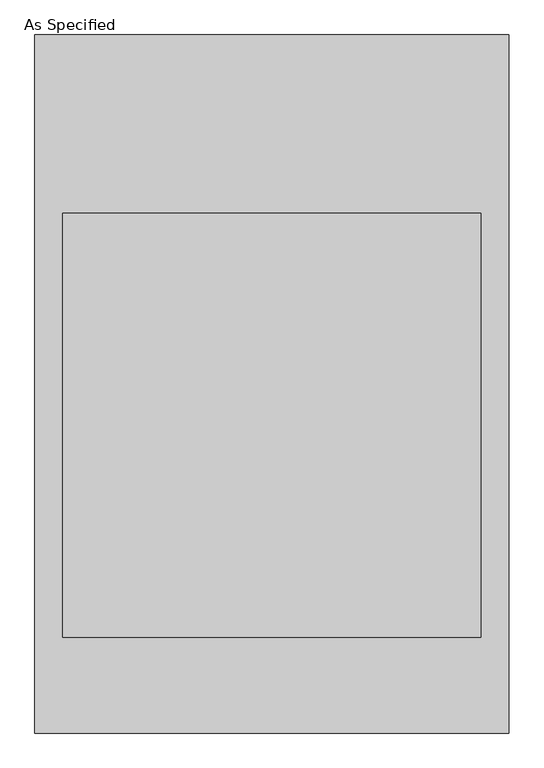
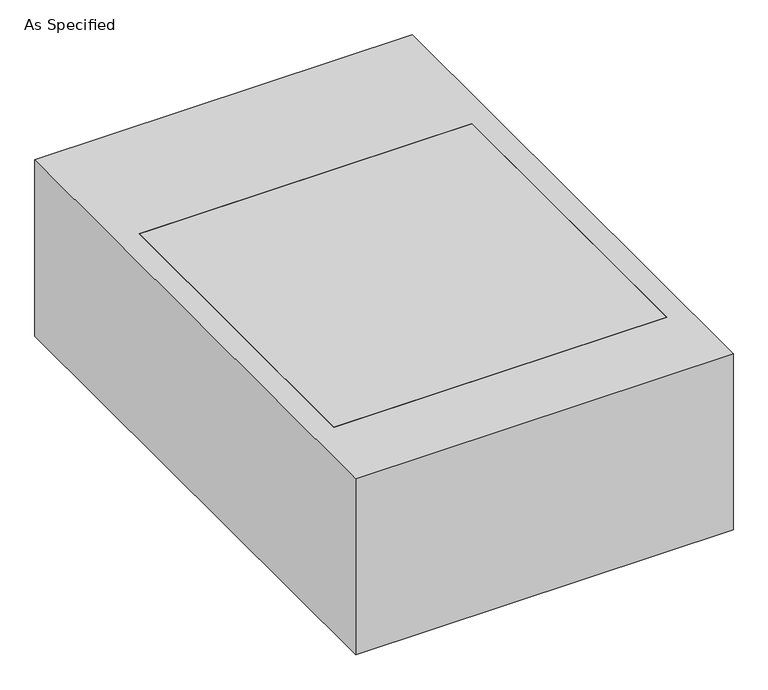
"""IFC4 building model written with IfcOpenShell, lengths in millimetres: proxy geometry, As Specified."""

from ifc_helpers import new_model, si_unit, frame, origin, place, context, project, spatial, polyline, outline, extrude, source, transform, mapped, element, save


def as_specified_bd79b820(model_context):
    return source(origin(), model_context, "Body", "SweptSolid", [
        extrude(outline(polyline([(-511.175, -752.475), (-511.175, 752.475), (511.175, 752.475), (511.175, -752.475), (-511.175, -752.475)]), holes=[polyline([(450.85, 368.3), (-450.85, 368.3), (-450.85, -546.1), (450.85, -546.1), (450.85, 368.3)])]), frame((0.0, 0.0, -530.225), z_axis=(0.0, 0.0, 1.0), x_axis=(1.0, 0.0, 0.0)), (0.0, 0.0, 1.0), 504.825),
        extrude(outline(polyline([(450.85, 368.3), (450.85, -546.1), (-450.85, -546.1), (-450.85, 368.3), (450.85, 368.3)])), frame((0.0, 0.0, -530.225), z_axis=(0.0, 0.0, 1.0), x_axis=(1.0, 0.0, 0.0)), (0.0, 0.0, 1.0), 504.825),
    ])


if __name__ == "__main__":
    model = new_model("IFC4")
    model_context = context("Model", 3, world=origin())
    ifc_project = project(units=[si_unit("LENGTHUNIT", "METRE", prefix="MILLI")], contexts=[model_context])
    site = spatial("IfcSite", under=ifc_project)
    building = spatial("IfcBuilding", under=site)
    placement = place(None, origin())
    as_specified_shape = as_specified_bd79b820(model_context)
    element("IfcBuildingElementProxy", 1, Name="As Specified", ObjectType="As Specified", at=placement, inside=building, context=model_context, shape_type="MappedRepresentation", body=[
        mapped(as_specified_shape, transform((0.0, 0.0, 0.0), x_axis=(1.0, 0.0, 0.0), y_axis=(0.0, 1.0, 0.0), z_axis=(0.0, 0.0, 1.0))),
    ])
    save(model, "model.ifc")
